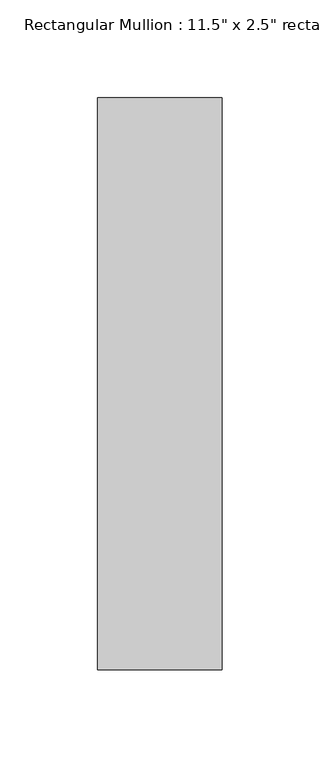
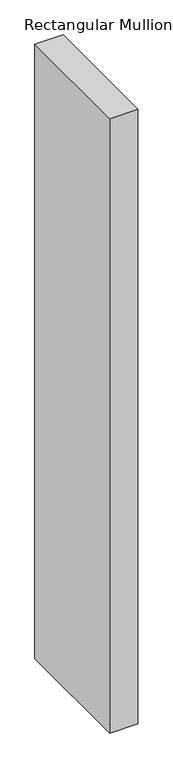
"""IFC4 building model written with IfcOpenShell, lengths in millimetres: member geometry."""

import ifcopenshell
import ifcopenshell.guid

model = None  # the IFC model being written
_history = None  # IfcOwnerHistory: only IFC2X3 demands one
_inside = {}  # id of a spatial element -> (the spatial element, [elements in it])
_under = {}  # id of a project, library or spatial element -> (it, [spatial elements below it])
_declared = {}  # id of a project -> (the project, [libraries it declares])
_typed = {}  # id of a type object -> (the type object, [elements of that type])
_made_of = {}  # id of a material, layer set ... -> (it, [elements and type objects made of it])


def new_model(schema):
    """Start an empty IFC model of exactly this schema.

    Asked for "IFC4X3", IfcOpenShell would pick the latest addendum, in which some entities
    have other attributes; the version numbers below select the first issue.
    IFC2X3 requires an IfcOwnerHistory on every rooted entity: one is made here for all.
    """
    global model, _history
    if schema == "IFC4X3":
        model = ifcopenshell.file(schema_version=(4, 3, 0, 0))
    else:
        model = ifcopenshell.file(schema=schema)
    _inside.clear()
    _under.clear()
    _declared.clear()
    _typed.clear()
    _made_of.clear()
    _history = None
    if model.schema == "IFC2X3":
        org = make("IfcOrganization", Name="unknown")
        user = make(
            "IfcPersonAndOrganization",
            ThePerson=make("IfcPerson", FamilyName="unknown"),
            TheOrganization=org,
        )
        app = make(
            "IfcApplication",
            ApplicationDeveloper=org,
            Version="unknown",
            ApplicationFullName="unknown",
            ApplicationIdentifier="unknown",
        )
        _history = make(
            "IfcOwnerHistory",
            OwningUser=user,
            OwningApplication=app,
            ChangeAction="ADDED",
            CreationDate=0,
        )
    return model


def make(cls, **values):
    """One entity of the class cls with the attributes given. An attribute that is None is left unset."""
    return model.create_entity(
        cls, **{name: value for name, value in values.items() if value is not None}
    )


def rooted(cls, **values):
    """An entity with a GlobalId (a new one), such as an element, a storey or a relation."""
    return make(cls, GlobalId=ifcopenshell.guid.new(), OwnerHistory=_history, **values)


def si_unit(unit_type, name, prefix=None):
    """IfcSIUnit, for example si_unit("LENGTHUNIT", "METRE", prefix="MILLI")."""
    return make("IfcSIUnit", UnitType=unit_type, Prefix=prefix, Name=name)


def assignment(units):
    """IfcUnitAssignment: the units of a project."""
    return None if units is None else make("IfcUnitAssignment", Units=units)


def point(xyz):
    """IfcCartesianPoint."""
    return None if xyz is None else make("IfcCartesianPoint", Coordinates=xyz)


def direction(xyz):
    """IfcDirection."""
    return None if xyz is None else make("IfcDirection", DirectionRatios=xyz)


def frame(location, z_axis=None, x_axis=None):
    """IfcAxis2Placement3D, a coordinate frame: its origin and axes. An axis left out is left unset."""
    return make(
        "IfcAxis2Placement3D",
        Location=point(location),
        Axis=direction(z_axis),
        RefDirection=direction(x_axis),
    )


def origin():
    """The frame at (0, 0, 0) with its axes left unset."""
    return frame((0.0, 0.0, 0.0))


def place(relative_to, where):
    """IfcLocalPlacement: puts the frame where relative to a parent placement (None: the world)."""
    return make(
        "IfcLocalPlacement", PlacementRelTo=relative_to, RelativePlacement=where
    )


def context(
    kind, dimensions, precision=None, world=None, true_north=None, identifier=None
):
    """IfcGeometricRepresentationContext, for example the 3D "Model" context."""
    return make(
        "IfcGeometricRepresentationContext",
        ContextIdentifier=identifier,
        ContextType=kind,
        CoordinateSpaceDimension=dimensions,
        Precision=precision,
        WorldCoordinateSystem=world,
        TrueNorth=true_north,
    )


def project(units=None, contexts=None):
    """IfcProject with its units and contexts."""
    return rooted(
        "IfcProject",
        Name="project",
        RepresentationContexts=contexts,
        UnitsInContext=assignment(units),
    )


def spatial(cls, under=None, at=None, **own):
    """A site, building, storey or space (cls), placed at a placement, below another one or the project."""
    s = rooted(cls, ObjectPlacement=at, **own)
    if under is not None:
        _under.setdefault(under.id(), (under, []))[1].append(s)
    return s


def polyline(points):
    """IfcPolyline through the points."""
    return make("IfcPolyline", Points=[point(p) for p in points])


def outline(outer, holes=None, kind="AREA"):
    """IfcArbitraryClosedProfileDef: a profile drawn as a closed curve; with holes, ...WithVoids."""
    if holes is None:
        return make("IfcArbitraryClosedProfileDef", ProfileType=kind, OuterCurve=outer)
    return make(
        "IfcArbitraryProfileDefWithVoids",
        ProfileType=kind,
        OuterCurve=outer,
        InnerCurves=holes,
    )


def extrude(swept, where, along, depth):
    """IfcExtrudedAreaSolid: the profile swept, set in the frame where, extruded along a direction by depth."""
    return make(
        "IfcExtrudedAreaSolid",
        SweptArea=swept,
        Position=where,
        ExtrudedDirection=direction(along),
        Depth=depth,
    )


def shape(context_of_items, identifier, shape_type, items):
    """IfcShapeRepresentation: the items that make up one representation, for example the "Body"."""
    return make(
        "IfcShapeRepresentation",
        ContextOfItems=context_of_items,
        RepresentationIdentifier=identifier,
        RepresentationType=shape_type,
        Items=items,
    )


def source(mapping_origin, context_of_items, identifier, shape_type, items):
    """IfcRepresentationMap: a shape defined once, which mapped items show again and again."""
    return make(
        "IfcRepresentationMap",
        MappingOrigin=mapping_origin,
        MappedRepresentation=shape(context_of_items, identifier, shape_type, items),
    )


def transform(
    local_origin,
    x_axis=None,
    y_axis=None,
    z_axis=None,
    scale=None,
    scale2=None,
    scale3=None,
    uniform=True,
):
    """IfcCartesianTransformationOperator3D, or its non-uniform kind. x_axis, y_axis, z_axis: its Axis1, 2, 3."""
    if uniform:
        return make(
            "IfcCartesianTransformationOperator3D",
            Axis1=direction(x_axis),
            Axis2=direction(y_axis),
            LocalOrigin=point(local_origin),
            Scale=scale,
            Axis3=direction(z_axis),
        )
    return make(
        "IfcCartesianTransformationOperator3DnonUniform",
        Axis1=direction(x_axis),
        Axis2=direction(y_axis),
        LocalOrigin=point(local_origin),
        Scale=scale,
        Axis3=direction(z_axis),
        Scale2=scale2,
        Scale3=scale3,
    )


def mapped(mapping_source, mapping_target):
    """IfcMappedItem: shows the shape of a source again, moved by a transform."""
    return make(
        "IfcMappedItem", MappingSource=mapping_source, MappingTarget=mapping_target
    )


def made_of(thing, what):
    """Note that an element or type object is made of a material, layer set ...; save() writes the relation."""
    if what is not None:
        _made_of.setdefault(what.id(), (what, []))[1].append(thing)
    return thing


def element(
    cls,
    number,
    at=None,
    inside=None,
    cuts=None,
    type_object=None,
    material=None,
    context=None,
    identifier="Body",
    shape_type=None,
    held_by="IfcProductDefinitionShape",
    body=None,
    shapes=None,
    **own,
):
    """One element of the class cls, such as IfcWall. Its Tag is "e" and its number.

    at: its placement. inside: the storey or other place that contains it. cuts: it is an
    opening in that element (IfcRelVoidsElement). A single representation is given by context,
    identifier, shape_type and body (its items); several are given by shapes. held_by: the class
    of the entity that holds the representations. save() writes the other relations.
    """
    e = rooted(cls, Tag="e%d" % number, ObjectPlacement=at, **own)
    if body is not None:
        shapes = [shape(context, identifier, shape_type, body)]
    if shapes is not None:
        e.Representation = make(held_by, Representations=shapes)
    if inside is not None:
        _inside.setdefault(inside.id(), (inside, []))[1].append(e)
    if cuts is not None:
        rooted(
            "IfcRelVoidsElement", RelatingBuildingElement=cuts, RelatedOpeningElement=e
        )
    if type_object is not None:
        _typed.setdefault(type_object.id(), (type_object, []))[1].append(e)
    return made_of(e, material)


def aggregate(whole, parts):
    """IfcRelAggregates: a whole, such as a stair, and the parts it consists of."""
    return rooted("IfcRelAggregates", RelatingObject=whole, RelatedObjects=parts)


def save(model, path):
    """Write the relations noted so far, then the file.

    IfcRelAggregates (storeys below a building ...), IfcRelContainedInSpatialStructure (elements
    in a storey), IfcRelDefinesByType, IfcRelAssociatesMaterial and IfcRelDeclares: one each for
    every whole, place, type object, material and project.
    """
    for whole, parts in _under.values():
        aggregate(whole, parts)
    for where, things in _inside.values():
        rooted(
            "IfcRelContainedInSpatialStructure",
            RelatedElements=things,
            RelatingStructure=where,
        )
    for kind, things in _typed.values():
        rooted("IfcRelDefinesByType", RelatedObjects=things, RelatingType=kind)
    for what, things in _made_of.values():
        rooted("IfcRelAssociatesMaterial", RelatedObjects=things, RelatingMaterial=what)
    for by, libraries in _declared.values():
        rooted("IfcRelDeclares", RelatingContext=by, RelatedDefinitions=libraries)
    model.write(path)


def member_6c6ff215(model_context):
    return source(origin(), model_context, "Body", "SweptSolid", [
        extrude(outline(polyline([(0.0, 203.2), (0.0, -88.9), (-63.5, -88.9), (-63.5, 203.2), (0.0, 203.2)])), frame((0.0, 0.0, -1465.326), z_axis=(0.0, 0.0, 1.0), x_axis=(1.0, 0.0, 0.0)), (0.0, 0.0, 1.0), 1465.326),
    ])


if __name__ == "__main__":
    model = new_model("IFC4")
    model_context = context("Model", 3, world=origin())
    ifc_project = project(units=[si_unit("LENGTHUNIT", "METRE", prefix="MILLI")], contexts=[model_context])
    site = spatial("IfcSite", under=ifc_project)
    building = spatial("IfcBuilding", under=site)
    placement = place(None, origin())
    member_shape = member_6c6ff215(model_context)
    element("IfcMember", 1, ObjectType="Rectangular Mullion : 11.5\" x 2.5\" rectangular", at=placement, inside=building, context=model_context, shape_type="MappedRepresentation", body=[
        mapped(member_shape, transform((0.0, 0.0, 0.0), x_axis=(1.0, 0.0, 0.0), y_axis=(0.0, 1.0, 0.0), z_axis=(0.0, 0.0, 1.0))),
    ])
    save(model, "model.ifc")
